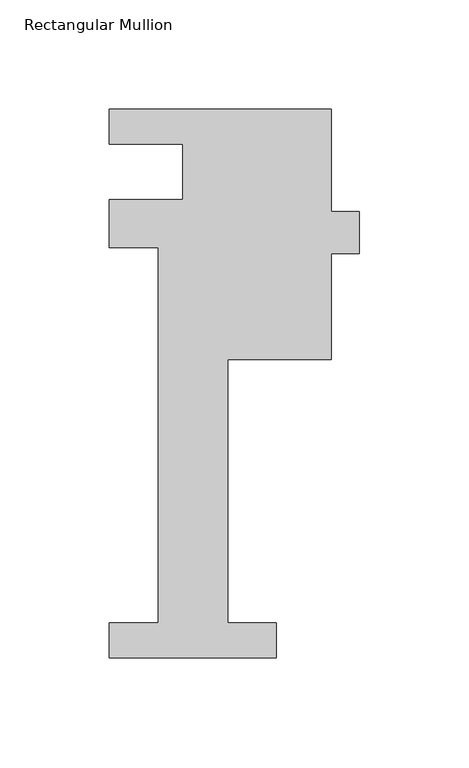
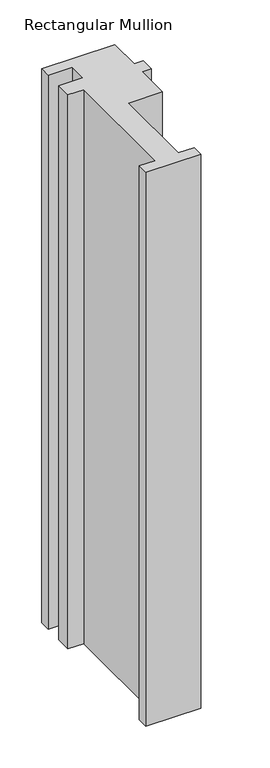
"""IFC4 building model written with IfcOpenShell, lengths in millimetres: member geometry, Rectangular Mullion."""

from ifc_helpers import new_model, si_unit, frame, origin, place, context, project, spatial, polyline, outline, extrude, source, transform, mapped, element, save


def rectangular_mullion_121d2fe4(model_context):
    return source(origin(), model_context, "Body", "SweptSolid", [
        extrude(outline(polyline([(38.1, -221.996), (-38.1, -221.996), (-38.1, -206.121), (-15.875, -206.121), (-15.875, -34.671), (-38.1, -34.671), (-38.1, -12.7), (-4.7625, -12.7), (-4.7625, 12.7), (-38.1, 12.7), (-38.1, 28.5554197), (63.2464382, 28.5554197), (63.2464382, -18.1655784), (75.9552088, -18.1655784), (75.9552088, -37.2155784), (63.2464382, -37.2155784), (63.2464382, -85.7445803), (15.875, -85.7445803), (15.875, -206.121), (38.1, -206.121), (38.1, -221.996)])), frame((0.0, 0.0, -812.8), z_axis=(0.0, 0.0, 1.0), x_axis=(1.0, 0.0, 0.0)), (0.0, 0.0, 1.0), 812.8),
    ])


if __name__ == "__main__":
    model = new_model("IFC4")
    model_context = context("Model", 3, world=origin())
    ifc_project = project(units=[si_unit("LENGTHUNIT", "METRE", prefix="MILLI")], contexts=[model_context])
    site = spatial("IfcSite", under=ifc_project)
    building = spatial("IfcBuilding", under=site)
    placement = place(None, origin())
    rectangular_mullion_shape = rectangular_mullion_121d2fe4(model_context)
    element("IfcMember", 1, ObjectType="Rectangular Mullion", at=placement, inside=building, context=model_context, shape_type="MappedRepresentation", body=[
        mapped(rectangular_mullion_shape, transform((0.0, 0.0, 0.0), x_axis=(1.0, 0.0, 0.0), y_axis=(0.0, 1.0, 0.0), z_axis=(0.0, 0.0, 1.0))),
    ])
    save(model, "model.ifc")
